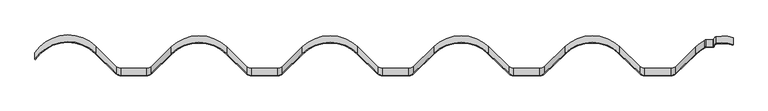
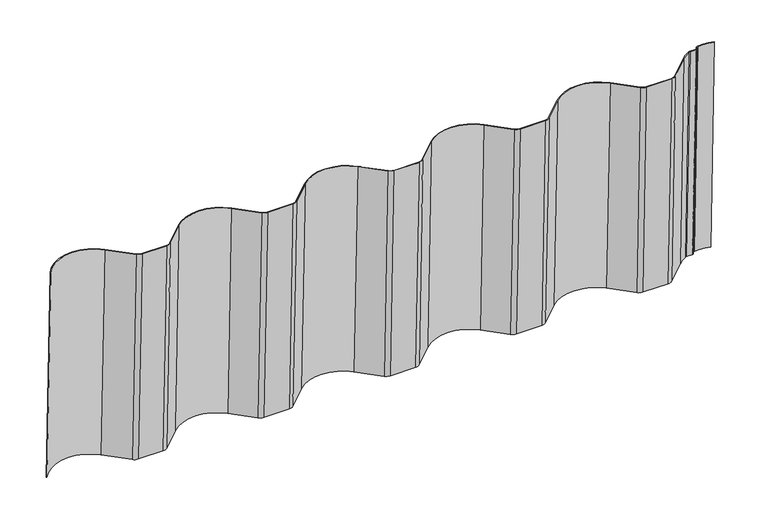
"""IFC4 building model written with IfcOpenShell, lengths in millimetres: proxy geometry."""

from ifc_helpers import new_model, si_unit, point, frame, origin, place, context, project, spatial, circle_curve, trimmed, source, transform, mapped, element, save
from ifc_brep_helpers import plane_surface, extruded_surface, advanced_brep


def generic_models_042558de(model_context):
    return source(origin(), model_context, "Body", "AdvancedBrep", [
        advanced_brep(
        [(-472.6219149, 53.3421976, 0.0), (-440.7842164, 22.3360004, 0.0), (-433.8073181, 19.5, 0.0), (-394.8301637, 19.5, 0.0), (-387.8532654, 22.3360004, 0.0), (-357.0423842, 52.3421976, 0.0), (-272.6219149, 52.3421976, 0.0), (-241.8110336, 22.3360004, 0.0), (-234.8341354, 19.5, 0.0), (-194.8301637, 19.5, 0.0), (-187.8532654, 22.3360004, 0.0), (-157.0423842, 52.3421976, 0.0), (-72.6219149, 52.3421976, 0.0), (-41.8110336, 22.3360004, 0.0), (-34.8341354, 19.5, 0.0), (5.1698363, 19.5, 0.0), (12.1467346, 22.3360004, 0.0), (42.9576158, 52.3421976, 0.0), (127.3780851, 52.3421976, 0.0), (158.1889664, 22.3360004, 0.0), (165.1658646, 19.5, 0.0), (205.1698363, 19.5, 0.0), (212.1467346, 22.3360004, 0.0), (242.9576158, 52.3421976, 0.0), (327.3780851, 52.3421976, 0.0), (358.1889664, 22.3360004, 0.0), (365.1658646, 19.5, 0.0), (405.1698363, 19.5, 0.0), (412.1467346, 22.3360004, 0.0), (442.9576158, 52.3421976, 0.0), (456.8324343, 62.4542252, 0.0), (459.4083813, 63.0947502, 0.0), (469.4303595, 63.0947502, 0.0), (470.4169828, 63.9317334, 0.0), (474.4575764, 68.036345, 0.0), (500.0, 65.9973045, 0.0), (499.6676561, 65.0541462, 0.0), (474.636081, 67.0524059, 0.0), (471.4036061, 63.7687167, 0.0), (469.4303595, 62.0947502, 0.0), (459.4083813, 62.0947502, 0.0), (457.3007883, 61.5706843, 0.0), (443.6553056, 51.6257976, 0.0), (412.8444244, 21.6196004, 0.0), (405.1698363, 18.5, 0.0), (365.1658646, 18.5, 0.0), (357.4912765, 21.6196004, 0.0), (326.6803953, 51.6257976, 0.0), (243.6553056, 51.6257976, 0.0), (212.8444244, 21.6196004, 0.0), (205.1698363, 18.5, 0.0), (165.1658646, 18.5, 0.0), (157.4912765, 21.6196004, 0.0), (126.6803953, 51.6257976, 0.0), (43.6553056, 51.6257976, 0.0), (12.8444244, 21.6196004, 0.0), (5.1698363, 18.5, 0.0), (-34.8341354, 18.5, 0.0), (-42.5087235, 21.6196004, 0.0), (-73.3196047, 51.6257976, 0.0), (-156.3446944, 51.6257976, 0.0), (-187.1555756, 21.6196004, 0.0), (-194.8301637, 18.5, 0.0), (-234.8341354, 18.5, 0.0), (-242.5087235, 21.6196004, 0.0), (-273.3196047, 51.6257976, 0.0), (-356.3446944, 51.6257976, 0.0), (-387.1555756, 21.6196004, 0.0), (-394.8301637, 18.5, 0.0), (-433.8073181, 18.5, 0.0), (-441.4819062, 21.6196004, 0.0), (-473.3196047, 52.6257976, 0.0), (-564.3141957, 43.0420505, 0.0), (-565.1458268, 43.5973791, 0.0), (-565.1458268, 33.0973791, 350.0), (-472.6219149, 42.8421976, 350.0), (-564.3141957, 32.5420505, 350.0), (-473.3196047, 42.1257976, 350.0), (-441.4819062, 11.1196004, 350.0), (-433.8073181, 8.0, 350.0), (-394.8301637, 8.0, 350.0), (-387.1555756, 11.1196004, 350.0), (-356.3446944, 41.1257976, 350.0), (-273.3196047, 41.1257976, 350.0), (-242.5087235, 11.1196004, 350.0), (-234.8341354, 8.0, 350.0), (-194.8301637, 8.0, 350.0), (-187.1555756, 11.1196004, 350.0), (-156.3446944, 41.1257976, 350.0), (-73.3196047, 41.1257976, 350.0), (-42.5087235, 11.1196004, 350.0), (-34.8341354, 8.0, 350.0), (5.1698363, 8.0, 350.0), (12.8444244, 11.1196004, 350.0), (43.6553056, 41.1257976, 350.0), (126.6803953, 41.1257976, 350.0), (42.9576158, 41.8421976, 350.0), (127.3780851, 41.8421976, 350.0), (12.1467346, 11.8360004, 350.0), (5.1698363, 9.0, 350.0), (-34.8341354, 9.0, 350.0), (-41.8110336, 11.8360004, 350.0), (-72.6219149, 41.8421976, 350.0), (-157.0423842, 41.8421976, 350.0), (-187.8532654, 11.8360004, 350.0), (-194.8301637, 9.0, 350.0), (-234.8341354, 9.0, 350.0), (-241.8110336, 11.8360004, 350.0), (-272.6219149, 41.8421976, 350.0), (-357.0423842, 41.8421976, 350.0), (-387.8532654, 11.8360004, 350.0), (-394.8301637, 9.0, 350.0), (-433.8073181, 9.0, 350.0), (-440.7842164, 11.8360004, 350.0), (157.4912765, 11.1196004, 350.0), (165.1658646, 8.0, 350.0), (205.1698363, 8.0, 350.0), (212.8444244, 11.1196004, 350.0), (243.6553056, 41.1257976, 350.0), (326.6803953, 41.1257976, 350.0), (357.4912765, 11.1196004, 350.0), (365.1658646, 8.0, 350.0), (405.1698363, 8.0, 350.0), (412.8444244, 11.1196004, 350.0), (443.6553056, 41.1257976, 350.0), (457.3007883, 51.0706843, 350.0), (459.4083813, 51.5947502, 350.0), (469.4303595, 51.5947502, 350.0), (471.4036061, 53.2687167, 350.0), (474.636081, 56.5524059, 350.0), (499.6676561, 54.5541462, 350.0), (500.0, 55.4973045, 350.0), (474.4575764, 57.536345, 350.0), (470.4169828, 53.4317334, 350.0), (469.4303595, 52.5947502, 350.0), (459.4083813, 52.5947502, 350.0), (456.8324343, 51.9542252, 350.0), (442.9576158, 41.8421976, 350.0), (412.1467346, 11.8360004, 350.0), (405.1698363, 9.0, 350.0), (365.1658646, 9.0, 350.0), (358.1889664, 11.8360004, 350.0), (327.3780851, 41.8421976, 350.0), (242.9576158, 41.8421976, 350.0), (212.1467346, 11.8360004, 350.0), (205.1698363, 9.0, 350.0), (165.1658646, 9.0, 350.0), (158.1889664, 11.8360004, 350.0)],
        [
            (0, 1),
            (1, 2, circle_curve(frame((-433.8073181, 29.5, 0.0), z_axis=(0.0, 0.0, 1.0), x_axis=(1.0, 0.0, 0.0)), 10.0)),
            (2, 3),
            (3, 4, circle_curve(frame((-394.8301637, 29.5, 0.0), z_axis=(0.0, 0.0, 1.0), x_axis=(1.0, 0.0, 0.0)), 10.0)),
            (4, 5),
            (5, 6, circle_curve(frame((-314.8321495, 9.0, 0.0), z_axis=(0.0, 0.0, -1.0), x_axis=(1.0, 0.0, 0.0)), 60.5)),
            (6, 7),
            (7, 8, circle_curve(frame((-234.8341354, 29.5, 0.0), z_axis=(0.0, 0.0, 1.0), x_axis=(1.0, 0.0, 0.0)), 10.0)),
            (8, 9),
            (9, 10, circle_curve(frame((-194.8301637, 29.5, 0.0), z_axis=(0.0, 0.0, 1.0), x_axis=(1.0, 0.0, 0.0)), 10.0)),
            (10, 11),
            (11, 12, circle_curve(frame((-114.8321495, 9.0, 0.0), z_axis=(0.0, 0.0, -1.0), x_axis=(1.0, 0.0, 0.0)), 60.5)),
            (12, 13),
            (13, 14, circle_curve(frame((-34.8341354, 29.5, 0.0), z_axis=(0.0, 0.0, 1.0), x_axis=(1.0, 0.0, 0.0)), 10.0)),
            (14, 15),
            (15, 16, circle_curve(frame((5.1698363, 29.5, 0.0), z_axis=(0.0, 0.0, 1.0), x_axis=(1.0, 0.0, 0.0)), 10.0)),
            (16, 17),
            (17, 18, circle_curve(frame((85.1678505, 9.0, 0.0), z_axis=(0.0, 0.0, -1.0), x_axis=(1.0, 0.0, 0.0)), 60.5)),
            (18, 19),
            (19, 20, circle_curve(frame((165.1658646, 29.5, 0.0), z_axis=(0.0, 0.0, 1.0), x_axis=(1.0, 0.0, 0.0)), 10.0)),
            (20, 21),
            (21, 22, circle_curve(frame((205.1698363, 29.5, 0.0), z_axis=(0.0, 0.0, 1.0), x_axis=(1.0, 0.0, 0.0)), 10.0)),
            (22, 23),
            (23, 24, circle_curve(frame((285.1678505, 9.0, 0.0), z_axis=(0.0, 0.0, -1.0), x_axis=(1.0, 0.0, 0.0)), 60.5)),
            (24, 25),
            (25, 26, circle_curve(frame((365.1658646, 29.5, 0.0), z_axis=(0.0, 0.0, 1.0), x_axis=(1.0, 0.0, 0.0)), 10.0)),
            (26, 27),
            (27, 28, circle_curve(frame((405.1698363, 29.5, 0.0), z_axis=(0.0, 0.0, 1.0), x_axis=(1.0, 0.0, 0.0)), 10.0)),
            (28, 29),
            (29, 30, circle_curve(frame((485.1678505, 9.0, 0.0), z_axis=(0.0, 0.0, -1.0), x_axis=(1.0, 0.0, 0.0)), 60.5)),
            (30, 31, circle_curve(frame((459.4083813, 57.5947502, 0.0), z_axis=(0.0, 0.0, -1.0), x_axis=(1.0, 0.0, 0.0)), 5.5)),
            (31, 32),
            (32, 33, circle_curve(frame((469.4303595, 64.0947502, 0.0), z_axis=(0.0, 0.0, 1.0), x_axis=(1.0, 0.0, 0.0)), 1.0)),
            (33, 34, circle_curve(frame((475.3500993, 63.1166496, 0.0), z_axis=(0.0, 0.0, -1.0), x_axis=(1.0, 0.0, 0.0)), 5.0)),
            (34, 35, circle_curve(frame((483.3828048, 18.8393908, 0.0), z_axis=(0.0, 0.0, -1.0), x_axis=(1.0, 0.0, 0.0)), 50.0)),
            (35, 36),
            (36, 37, circle_curve(frame((483.3828048, 18.8393908, 0.0), z_axis=(0.0, 0.0, 1.0), x_axis=(1.0, 0.0, 0.0)), 49.0)),
            (37, 38, circle_curve(frame((475.3500993, 63.1166496, 0.0), z_axis=(0.0, 0.0, 1.0), x_axis=(1.0, 0.0, 0.0)), 4.0)),
            (38, 39, circle_curve(frame((469.4303595, 64.0947502, 0.0), z_axis=(0.0, 0.0, -1.0), x_axis=(1.0, 0.0, 0.0)), 2.0)),
            (39, 40),
            (40, 41, circle_curve(frame((459.4083813, 57.5947502, 0.0), z_axis=(0.0, 0.0, 1.0), x_axis=(1.0, 0.0, 0.0)), 4.5)),
            (41, 42, circle_curve(frame((485.1678505, 9.0, 0.0), z_axis=(0.0, 0.0, 1.0), x_axis=(1.0, 0.0, 0.0)), 59.5)),
            (42, 43),
            (43, 44, circle_curve(frame((405.1698363, 29.5, 0.0), z_axis=(0.0, 0.0, -1.0), x_axis=(1.0, 0.0, 0.0)), 11.0)),
            (44, 45),
            (45, 46, circle_curve(frame((365.1658646, 29.5, 0.0), z_axis=(0.0, 0.0, -1.0), x_axis=(1.0, 0.0, 0.0)), 11.0)),
            (46, 47),
            (47, 48, circle_curve(frame((285.1678505, 9.0, 0.0), z_axis=(0.0, 0.0, 1.0), x_axis=(1.0, 0.0, 0.0)), 59.5)),
            (48, 49),
            (49, 50, circle_curve(frame((205.1698363, 29.5, 0.0), z_axis=(0.0, 0.0, -1.0), x_axis=(1.0, 0.0, 0.0)), 11.0)),
            (50, 51),
            (51, 52, circle_curve(frame((165.1658646, 29.5, 0.0), z_axis=(0.0, 0.0, -1.0), x_axis=(1.0, 0.0, 0.0)), 11.0)),
            (52, 53),
            (53, 54, circle_curve(frame((85.1678505, 9.0, 0.0), z_axis=(0.0, 0.0, 1.0), x_axis=(1.0, 0.0, 0.0)), 59.5)),
            (54, 55),
            (55, 56, circle_curve(frame((5.1698363, 29.5, 0.0), z_axis=(0.0, 0.0, -1.0), x_axis=(1.0, 0.0, 0.0)), 11.0)),
            (56, 57),
            (57, 58, circle_curve(frame((-34.8341354, 29.5, 0.0), z_axis=(0.0, 0.0, -1.0), x_axis=(1.0, 0.0, 0.0)), 11.0)),
            (58, 59),
            (59, 60, circle_curve(frame((-114.8321495, 9.0, 0.0), z_axis=(0.0, 0.0, 1.0), x_axis=(1.0, 0.0, 0.0)), 59.5)),
            (60, 61),
            (61, 62, circle_curve(frame((-194.8301637, 29.5, 0.0), z_axis=(0.0, 0.0, -1.0), x_axis=(1.0, 0.0, 0.0)), 11.0)),
            (62, 63),
            (63, 64, circle_curve(frame((-234.8341354, 29.5, 0.0), z_axis=(0.0, 0.0, -1.0), x_axis=(1.0, 0.0, 0.0)), 11.0)),
            (64, 65),
            (65, 66, circle_curve(frame((-314.8321495, 9.0, 0.0), z_axis=(0.0, 0.0, 1.0), x_axis=(1.0, 0.0, 0.0)), 59.5)),
            (66, 67),
            (67, 68, circle_curve(frame((-394.8301637, 29.5, 0.0), z_axis=(0.0, 0.0, -1.0), x_axis=(1.0, 0.0, 0.0)), 11.0)),
            (68, 69),
            (69, 70, circle_curve(frame((-433.8073181, 29.5, 0.0), z_axis=(0.0, 0.0, -1.0), x_axis=(1.0, 0.0, 0.0)), 11.0)),
            (70, 71),
            (71, 72, circle_curve(frame((-514.8321495, 10.0, 0.0), z_axis=(0.0, 0.0, 1.0), x_axis=(1.0, 0.0, 0.0)), 59.5)),
            (72, 73),
            (73, 0, circle_curve(frame((-514.8321495, 10.0, 0.0), z_axis=(0.0, 0.0, -1.0), x_axis=(1.0, 0.0, 0.0)), 60.5)),
            (73, 74),
            (74, 75, circle_curve(frame((-514.8321495, -0.5, 350.0), z_axis=(0.0, 0.0, -1.0), x_axis=(1.0, 0.0, 0.0)), 60.5)),
            (75, 0),
            (72, 76),
            (76, 74),
            (71, 77),
            (77, 76, circle_curve(frame((-514.8321495, -0.5, 350.0), z_axis=(0.0, 0.0, 1.0), x_axis=(1.0, 0.0, 0.0)), 59.5)),
            (70, 78),
            (78, 77),
            (69, 79),
            (79, 78, circle_curve(frame((-433.8073181, 19.0, 350.0), z_axis=(0.0, 0.0, -1.0), x_axis=(1.0, 0.0, 0.0)), 11.0)),
            (68, 80),
            (80, 79),
            (67, 81),
            (81, 80, circle_curve(frame((-394.8301637, 19.0, 350.0), z_axis=(0.0, 0.0, -1.0), x_axis=(1.0, 0.0, 0.0)), 11.0)),
            (66, 82),
            (82, 81),
            (65, 83),
            (83, 82, circle_curve(frame((-314.8321495, -1.5, 350.0), z_axis=(0.0, 0.0, 1.0), x_axis=(1.0, 0.0, 0.0)), 59.5)),
            (64, 84),
            (84, 83),
            (63, 85),
            (85, 84, circle_curve(frame((-234.8341354, 19.0, 350.0), z_axis=(0.0, 0.0, -1.0), x_axis=(1.0, 0.0, 0.0)), 11.0)),
            (62, 86),
            (86, 85),
            (61, 87),
            (87, 86, circle_curve(frame((-194.8301637, 19.0, 350.0), z_axis=(0.0, 0.0, -1.0), x_axis=(1.0, 0.0, 0.0)), 11.0)),
            (60, 88),
            (88, 87),
            (59, 89),
            (89, 88, circle_curve(frame((-114.8321495, -1.5, 350.0), z_axis=(0.0, 0.0, 1.0), x_axis=(1.0, 0.0, 0.0)), 59.5)),
            (58, 90),
            (90, 89),
            (57, 91),
            (91, 90, circle_curve(frame((-34.8341354, 19.0, 350.0), z_axis=(0.0, 0.0, -1.0), x_axis=(1.0, 0.0, 0.0)), 11.0)),
            (56, 92),
            (92, 91),
            (55, 93),
            (93, 92, circle_curve(frame((5.1698363, 19.0, 350.0), z_axis=(0.0, 0.0, -1.0), x_axis=(1.0, 0.0, 0.0)), 11.0)),
            (54, 94),
            (94, 93),
            (53, 95),
            (95, 94, circle_curve(frame((85.1678505, -1.5, 350.0), z_axis=(0.0, 0.0, 1.0), x_axis=(1.0, 0.0, 0.0)), 59.5)),
            (17, 96),
            (96, 97, circle_curve(frame((85.1678505, -1.5, 350.0), z_axis=(0.0, 0.0, -1.0), x_axis=(1.0, 0.0, 0.0)), 60.5)),
            (97, 18),
            (16, 98),
            (98, 96),
            (15, 99),
            (99, 98, circle_curve(frame((5.1698363, 19.0, 350.0), z_axis=(0.0, 0.0, 1.0), x_axis=(1.0, 0.0, 0.0)), 10.0)),
            (14, 100),
            (100, 99),
            (13, 101),
            (101, 100, circle_curve(frame((-34.8341354, 19.0, 350.0), z_axis=(0.0, 0.0, 1.0), x_axis=(1.0, 0.0, 0.0)), 10.0)),
            (12, 102),
            (102, 101),
            (11, 103),
            (103, 102, circle_curve(frame((-114.8321495, -1.5, 350.0), z_axis=(0.0, 0.0, -1.0), x_axis=(1.0, 0.0, 0.0)), 60.5)),
            (10, 104),
            (104, 103),
            (9, 105),
            (105, 104, circle_curve(frame((-194.8301637, 19.0, 350.0), z_axis=(0.0, 0.0, 1.0), x_axis=(1.0, 0.0, 0.0)), 10.0)),
            (8, 106),
            (106, 105),
            (7, 107),
            (107, 106, circle_curve(frame((-234.8341354, 19.0, 350.0), z_axis=(0.0, 0.0, 1.0), x_axis=(1.0, 0.0, 0.0)), 10.0)),
            (6, 108),
            (108, 107),
            (5, 109),
            (109, 108, circle_curve(frame((-314.8321495, -1.5, 350.0), z_axis=(0.0, 0.0, -1.0), x_axis=(1.0, 0.0, 0.0)), 60.5)),
            (4, 110),
            (110, 109),
            (3, 111),
            (111, 110, circle_curve(frame((-394.8301637, 19.0, 350.0), z_axis=(0.0, 0.0, 1.0), x_axis=(1.0, 0.0, 0.0)), 10.0)),
            (2, 112),
            (112, 111),
            (1, 113),
            (113, 112, circle_curve(frame((-433.8073181, 19.0, 350.0), z_axis=(0.0, 0.0, 1.0), x_axis=(1.0, 0.0, 0.0)), 10.0)),
            (75, 113),
            (95, 114),
            (114, 115, circle_curve(frame((165.1658646, 19.0, 350.0), z_axis=(0.0, 0.0, 1.0), x_axis=(1.0, 0.0, 0.0)), 11.0)),
            (115, 116),
            (116, 117, circle_curve(frame((205.1698363, 19.0, 350.0), z_axis=(0.0, 0.0, 1.0), x_axis=(1.0, 0.0, 0.0)), 11.0)),
            (117, 118),
            (118, 119, circle_curve(frame((285.1678505, -1.5, 350.0), z_axis=(0.0, 0.0, -1.0), x_axis=(1.0, 0.0, 0.0)), 59.5)),
            (119, 120),
            (120, 121, circle_curve(frame((365.1658646, 19.0, 350.0), z_axis=(0.0, 0.0, 1.0), x_axis=(1.0, 0.0, 0.0)), 11.0)),
            (121, 122),
            (122, 123, circle_curve(frame((405.1698363, 19.0, 350.0), z_axis=(0.0, 0.0, 1.0), x_axis=(1.0, 0.0, 0.0)), 11.0)),
            (123, 124),
            (124, 125, circle_curve(frame((485.1678505, -1.5, 350.0), z_axis=(0.0, 0.0, -1.0), x_axis=(1.0, 0.0, 0.0)), 59.5)),
            (125, 126, circle_curve(frame((459.4083813, 47.0947502, 350.0), z_axis=(0.0, 0.0, -1.0), x_axis=(1.0, 0.0, 0.0)), 4.5)),
            (126, 127),
            (127, 128, circle_curve(frame((469.4303595, 53.5947502, 350.0), z_axis=(0.0, 0.0, 1.0), x_axis=(1.0, 0.0, 0.0)), 2.0)),
            (128, 129, circle_curve(frame((475.3500993, 52.6166496, 350.0), z_axis=(0.0, 0.0, -1.0), x_axis=(1.0, 0.0, 0.0)), 4.0)),
            (129, 130, circle_curve(frame((483.3828048, 8.3393908, 350.0), z_axis=(0.0, 0.0, -1.0), x_axis=(1.0, 0.0, 0.0)), 49.0)),
            (130, 131),
            (131, 132, circle_curve(frame((483.3828048, 8.3393908, 350.0), z_axis=(0.0, 0.0, 1.0), x_axis=(1.0, 0.0, 0.0)), 50.0)),
            (132, 133, circle_curve(frame((475.3500993, 52.6166496, 350.0), z_axis=(0.0, 0.0, 1.0), x_axis=(1.0, 0.0, 0.0)), 5.0)),
            (133, 134, circle_curve(frame((469.4303595, 53.5947502, 350.0), z_axis=(0.0, 0.0, -1.0), x_axis=(1.0, 0.0, 0.0)), 1.0)),
            (134, 135),
            (135, 136, circle_curve(frame((459.4083813, 47.0947502, 350.0), z_axis=(0.0, 0.0, 1.0), x_axis=(1.0, 0.0, 0.0)), 5.5)),
            (136, 137, circle_curve(frame((485.1678505, -1.5, 350.0), z_axis=(0.0, 0.0, 1.0), x_axis=(1.0, 0.0, 0.0)), 60.5)),
            (137, 138),
            (138, 139, circle_curve(frame((405.1698363, 19.0, 350.0), z_axis=(0.0, 0.0, -1.0), x_axis=(1.0, 0.0, 0.0)), 10.0)),
            (139, 140),
            (140, 141, circle_curve(frame((365.1658646, 19.0, 350.0), z_axis=(0.0, 0.0, -1.0), x_axis=(1.0, 0.0, 0.0)), 10.0)),
            (141, 142),
            (142, 143, circle_curve(frame((285.1678505, -1.5, 350.0), z_axis=(0.0, 0.0, 1.0), x_axis=(1.0, 0.0, 0.0)), 60.5)),
            (143, 144),
            (144, 145, circle_curve(frame((205.1698363, 19.0, 350.0), z_axis=(0.0, 0.0, -1.0), x_axis=(1.0, 0.0, 0.0)), 10.0)),
            (145, 146),
            (146, 147, circle_curve(frame((165.1658646, 19.0, 350.0), z_axis=(0.0, 0.0, -1.0), x_axis=(1.0, 0.0, 0.0)), 10.0)),
            (147, 97),
            (52, 114),
            (51, 115),
            (50, 116),
            (49, 117),
            (48, 118),
            (47, 119),
            (46, 120),
            (45, 121),
            (44, 122),
            (43, 123),
            (42, 124),
            (41, 125),
            (40, 126),
            (39, 127),
            (38, 128),
            (37, 129),
            (36, 130),
            (35, 131),
            (34, 132),
            (33, 133),
            (32, 134),
            (31, 135),
            (30, 136),
            (29, 137),
            (28, 138),
            (27, 139),
            (26, 140),
            (25, 141),
            (24, 142),
            (23, 143),
            (22, 144),
            (21, 145),
            (20, 146),
            (19, 147),
        ],
        [
            plane_surface(frame((49.2852822, 36.7043237, 0.0), z_axis=(0.0, 0.0, -1.0), x_axis=(-0.7163999601492478, 0.6976898287191495, 0.0))),
            extruded_surface(trimmed(circle_curve(frame((-514.8321495, 10.0, 0.0), z_axis=(0.0, 0.0, 1.0), x_axis=(1.0, 0.0, 0.0)), 60.5), [point((-472.6219149, 53.3421976, 0.0))], [point((-565.1458268, 43.5973791, 0.0))], True, "CARTESIAN"), (0.0, -10.5, 350.0), 350.1574645784379),
            plane_surface(frame((-564.7300113, 43.3197148, 0.0), z_axis=(-0.5551558293945325, -0.8313723252192379, -0.02494116975658706), x_axis=(0.8316310284669947, -0.5553285806537683, 0.0))),
            extruded_surface(trimmed(circle_curve(frame((-514.8321495, 10.0, 0.0), z_axis=(0.0, 0.0, -1.0), x_axis=(1.0, 0.0, 0.0)), 59.5), [point((-564.3141957, 43.0420505, 0.0))], [point((-473.3196047, 52.6257976, 0.0))], True, "CARTESIAN"), (0.0, -10.5, 350.0), 350.1574645784379),
            plane_surface(frame((-457.4007555, 37.122699, 0.0), z_axis=(-0.697528750955677, -0.7162345627210829, -0.021487036881631408), x_axis=(0.7163999601492518, -0.6976898287191454, 0.0))),
            extruded_surface(trimmed(circle_curve(frame((-433.8073181, 29.5, 0.0), z_axis=(0.0, 0.0, 1.0), x_axis=(1.0, 0.0, 0.0)), 11.0), [point((-441.4819062, 21.6196004, 0.0))], [point((-433.8073181, 18.5, 0.0))], True, "CARTESIAN"), (0.0, -10.5, 350.0), 350.1574645784379),
            plane_surface(frame((-414.3187409, 18.5, 0.0), z_axis=(0.0, -0.9995503035223665, -0.029986509105683012), x_axis=(1.0, 0.0, 0.0))),
            extruded_surface(trimmed(circle_curve(frame((-394.8301637, 29.5, 0.0), z_axis=(0.0, 0.0, 1.0), x_axis=(1.0, 0.0, 0.0)), 11.0), [point((-394.8301637, 18.5, 0.0))], [point((-387.1555756, 21.6196004, 0.0))], True, "CARTESIAN"), (0.0, -10.5, 350.0), 350.1574645784379),
            plane_surface(frame((-371.750135, 36.622699, 0.0), z_axis=(0.6975287509558474, -0.716234562720917, -0.02148703688162934), x_axis=(0.7163999601490858, 0.697689828719316, 0.0))),
            extruded_surface(trimmed(circle_curve(frame((-314.8321495, 9.0, 0.0), z_axis=(0.0, 0.0, -1.0), x_axis=(1.0, 0.0, 0.0)), 59.5), [point((-356.3446944, 51.6257976, 0.0))], [point((-273.3196047, 51.6257976, 0.0))], True, "CARTESIAN"), (0.0, -10.5, 350.0), 350.1574645784379),
            plane_surface(frame((-257.9141641, 36.622699, 0.0), z_axis=(-0.6975287509556769, -0.716234562721083, -0.02148703688163362), x_axis=(0.7163999601492519, -0.6976898287191453, 0.0))),
            extruded_surface(trimmed(circle_curve(frame((-234.8341354, 29.5, 0.0), z_axis=(0.0, 0.0, 1.0), x_axis=(1.0, 0.0, 0.0)), 11.0), [point((-242.5087235, 21.6196004, 0.0))], [point((-234.8341354, 18.5, 0.0))], True, "CARTESIAN"), (0.0, -10.5, 350.0), 350.1574645784379),
            plane_surface(frame((-214.8321495, 18.5, 0.0), z_axis=(0.0, -0.9995503035223665, -0.029986509105683012), x_axis=(1.0, 0.0, 0.0))),
            extruded_surface(trimmed(circle_curve(frame((-194.8301637, 29.5, 0.0), z_axis=(0.0, 0.0, 1.0), x_axis=(1.0, 0.0, 0.0)), 11.0), [point((-194.8301637, 18.5, 0.0))], [point((-187.1555756, 21.6196004, 0.0))], True, "CARTESIAN"), (0.0, -10.5, 350.0), 350.1574645784379),
            plane_surface(frame((-171.750135, 36.622699, 0.0), z_axis=(0.6975287509558471, -0.7162345627209172, -0.021487036881629142), x_axis=(0.716399960149086, 0.6976898287193156, 0.0))),
            extruded_surface(trimmed(circle_curve(frame((-114.8321495, 9.0, 0.0), z_axis=(0.0, 0.0, -1.0), x_axis=(1.0, 0.0, 0.0)), 59.5), [point((-156.3446944, 51.6257976, 0.0))], [point((-73.3196047, 51.6257976, 0.0))], True, "CARTESIAN"), (0.0, -10.5, 350.0), 350.1574645784379),
            plane_surface(frame((-57.9141641, 36.622699, 0.0), z_axis=(-0.697528750955677, -0.7162345627210828, -0.021487036881633642), x_axis=(0.7163999601492517, -0.6976898287191455, 0.0))),
            extruded_surface(trimmed(circle_curve(frame((-34.8341354, 29.5, 0.0), z_axis=(0.0, 0.0, 1.0), x_axis=(1.0, 0.0, 0.0)), 11.0), [point((-42.5087235, 21.6196004, 0.0))], [point((-34.8341354, 18.5, 0.0))], True, "CARTESIAN"), (0.0, -10.5, 350.0), 350.1574645784379),
            plane_surface(frame((-14.8321495, 18.5, 0.0), z_axis=(0.0, -0.9995503035223665, -0.029986509105683012), x_axis=(1.0, 0.0, 0.0))),
            extruded_surface(trimmed(circle_curve(frame((5.1698363, 29.5, 0.0), z_axis=(0.0, 0.0, 1.0), x_axis=(1.0, 0.0, 0.0)), 11.0), [point((5.1698363, 18.5, 0.0))], [point((12.8444244, 21.6196004, 0.0))], True, "CARTESIAN"), (0.0, -10.5, 350.0), 350.1574645784379),
            plane_surface(frame((28.249865, 36.622699, 0.0), z_axis=(0.697528750955847, -0.7162345627209173, -0.02148703688162923), x_axis=(0.7163999601490861, 0.6976898287193155, 0.0))),
            extruded_surface(trimmed(circle_curve(frame((85.1678505, 9.0, 0.0), z_axis=(0.0, 0.0, -1.0), x_axis=(1.0, 0.0, 0.0)), 59.5), [point((43.6553056, 51.6257976, 0.0))], [point((126.6803953, 51.6257976, 0.0))], True, "CARTESIAN"), (0.0, -10.5, 350.0), 350.1574645784379),
            extruded_surface(trimmed(circle_curve(frame((85.1678505, 9.0, 0.0), z_axis=(0.0, 0.0, 1.0), x_axis=(1.0, 0.0, 0.0)), 60.5), [point((127.3780851, 52.3421976, 0.0))], [point((42.9576158, 52.3421976, 0.0))], True, "CARTESIAN"), (0.0, -10.5, 350.0), 350.1574645784379),
            plane_surface(frame((27.5521752, 37.339099, 0.0), z_axis=(-0.697528750955847, 0.7162345627209175, 0.021487036881629222), x_axis=(-0.7163999601490862, -0.6976898287193155, 0.0))),
            extruded_surface(trimmed(circle_curve(frame((5.1698363, 29.5, 0.0), z_axis=(0.0, 0.0, -1.0), x_axis=(1.0, 0.0, 0.0)), 10.0), [point((12.1467346, 22.3360004, 0.0))], [point((5.1698363, 19.5, 0.0))], True, "CARTESIAN"), (0.0, -10.5, 350.0), 350.1574645784379),
            plane_surface(frame((-14.8321495, 19.5, 0.0), z_axis=(0.0, 0.9995503035223665, 0.029986509105683012), x_axis=(-1.0, 0.0, 0.0))),
            extruded_surface(trimmed(circle_curve(frame((-34.8341354, 29.5, 0.0), z_axis=(0.0, 0.0, -1.0), x_axis=(1.0, 0.0, 0.0)), 10.0), [point((-34.8341354, 19.5, 0.0))], [point((-41.8110336, 22.3360004, 0.0))], True, "CARTESIAN"), (0.0, -10.5, 350.0), 350.1574645784379),
            plane_surface(frame((-57.2164743, 37.339099, 0.0), z_axis=(0.6975287509556771, 0.7162345627210828, 0.021487036881633663), x_axis=(-0.7163999601492517, 0.6976898287191456, 0.0))),
            extruded_surface(trimmed(circle_curve(frame((-114.8321495, 9.0, 0.0), z_axis=(0.0, 0.0, 1.0), x_axis=(1.0, 0.0, 0.0)), 60.5), [point((-72.6219149, 52.3421976, 0.0))], [point((-157.0423842, 52.3421976, 0.0))], True, "CARTESIAN"), (0.0, -10.5, 350.0), 350.1574645784379),
            plane_surface(frame((-172.4478248, 37.339099, 0.0), z_axis=(-0.697528750955847, 0.7162345627209175, 0.02148703688162926), x_axis=(-0.7163999601490862, -0.6976898287193155, 0.0))),
            extruded_surface(trimmed(circle_curve(frame((-194.8301637, 29.5, 0.0), z_axis=(0.0, 0.0, -1.0), x_axis=(1.0, 0.0, 0.0)), 10.0), [point((-187.8532654, 22.3360004, 0.0))], [point((-194.8301637, 19.5, 0.0))], True, "CARTESIAN"), (0.0, -10.5, 350.0), 350.1574645784379),
            plane_surface(frame((-214.8321495, 19.5, 0.0), z_axis=(0.0, 0.9995503035223665, 0.029986509105683012), x_axis=(-1.0, 0.0, 0.0))),
            extruded_surface(trimmed(circle_curve(frame((-234.8341354, 29.5, 0.0), z_axis=(0.0, 0.0, -1.0), x_axis=(1.0, 0.0, 0.0)), 10.0), [point((-234.8341354, 19.5, 0.0))], [point((-241.8110336, 22.3360004, 0.0))], True, "CARTESIAN"), (0.0, -10.5, 350.0), 350.1574645784379),
            plane_surface(frame((-257.2164743, 37.339099, 0.0), z_axis=(0.6975287509556771, 0.7162345627210828, 0.021487036881633628), x_axis=(-0.7163999601492517, 0.6976898287191456, 0.0))),
            extruded_surface(trimmed(circle_curve(frame((-314.8321495, 9.0, 0.0), z_axis=(0.0, 0.0, 1.0), x_axis=(1.0, 0.0, 0.0)), 60.5), [point((-272.6219149, 52.3421976, 0.0))], [point((-357.0423842, 52.3421976, 0.0))], True, "CARTESIAN"), (0.0, -10.5, 350.0), 350.1574645784379),
            plane_surface(frame((-372.4478248, 37.339099, 0.0), z_axis=(-0.697528750955847, 0.7162345627209175, 0.021487036881629146), x_axis=(-0.7163999601490862, -0.6976898287193155, 0.0))),
            extruded_surface(trimmed(circle_curve(frame((-394.8301637, 29.5, 0.0), z_axis=(0.0, 0.0, -1.0), x_axis=(1.0, 0.0, 0.0)), 10.0), [point((-387.8532654, 22.3360004, 0.0))], [point((-394.8301637, 19.5, 0.0))], True, "CARTESIAN"), (0.0, -10.5, 350.0), 350.1574645784379),
            plane_surface(frame((-414.3187409, 19.5, 0.0), z_axis=(0.0, 0.9995503035223665, 0.029986509105683012), x_axis=(-1.0, 0.0, 0.0))),
            extruded_surface(trimmed(circle_curve(frame((-433.8073181, 29.5, 0.0), z_axis=(0.0, 0.0, -1.0), x_axis=(1.0, 0.0, 0.0)), 10.0), [point((-433.8073181, 19.5, 0.0))], [point((-440.7842164, 22.3360004, 0.0))], True, "CARTESIAN"), (0.0, -10.5, 350.0), 350.1574645784379),
            plane_surface(frame((-456.7030656, 37.839099, 0.0), z_axis=(0.6975287509556771, 0.7162345627210828, 0.021487036881631387), x_axis=(-0.7163999601492517, 0.6976898287191456, 0.0))),
            plane_surface(frame((49.2852822, 26.2043237, 350.0), z_axis=(0.0, 0.0, 1.0), x_axis=(-0.7163999601492478, 0.6976898287191495, 0.0))),
            plane_surface(frame((142.0858359, 36.622699, 0.0), z_axis=(-0.6975287509556771, -0.7162345627210829, -0.021487036881633614), x_axis=(0.7163999601492518, -0.6976898287191455, 0.0))),
            extruded_surface(trimmed(circle_curve(frame((165.1658646, 29.5, 0.0), z_axis=(0.0, 0.0, 1.0), x_axis=(1.0, 0.0, 0.0)), 11.0), [point((157.4912765, 21.6196004, 0.0))], [point((165.1658646, 18.5, 0.0))], True, "CARTESIAN"), (0.0, -10.5, 350.0), 350.1574645784379),
            plane_surface(frame((185.1678505, 18.5, 0.0), z_axis=(0.0, -0.9995503035223665, -0.029986509105683012), x_axis=(1.0, 0.0, 0.0))),
            extruded_surface(trimmed(circle_curve(frame((205.1698363, 29.5, 0.0), z_axis=(0.0, 0.0, 1.0), x_axis=(1.0, 0.0, 0.0)), 11.0), [point((205.1698363, 18.5, 0.0))], [point((212.8444244, 21.6196004, 0.0))], True, "CARTESIAN"), (0.0, -10.5, 350.0), 350.1574645784379),
            plane_surface(frame((228.249865, 36.622699, 0.0), z_axis=(0.697528750955847, -0.7162345627209173, -0.021487036881629132), x_axis=(0.7163999601490861, 0.6976898287193155, 0.0))),
            extruded_surface(trimmed(circle_curve(frame((285.1678505, 9.0, 0.0), z_axis=(0.0, 0.0, -1.0), x_axis=(1.0, 0.0, 0.0)), 59.5), [point((243.6553056, 51.6257976, 0.0))], [point((326.6803953, 51.6257976, 0.0))], True, "CARTESIAN"), (0.0, -10.5, 350.0), 350.1574645784379),
            plane_surface(frame((342.0858359, 36.622699, 0.0), z_axis=(-0.6975287509556768, -0.7162345627210832, -0.021487036881633163), x_axis=(0.7163999601492521, -0.6976898287191452, 0.0))),
            extruded_surface(trimmed(circle_curve(frame((365.1658646, 29.5, 0.0), z_axis=(0.0, 0.0, 1.0), x_axis=(1.0, 0.0, 0.0)), 11.0), [point((357.4912765, 21.6196004, 0.0))], [point((365.1658646, 18.5, 0.0))], True, "CARTESIAN"), (0.0, -10.5, 350.0), 350.1574645784379),
            plane_surface(frame((385.1678505, 18.5, 0.0), z_axis=(0.0, -0.9995503035223665, -0.029986509105683012), x_axis=(1.0, 0.0, 0.0))),
            extruded_surface(trimmed(circle_curve(frame((405.1698363, 29.5, 0.0), z_axis=(0.0, 0.0, 1.0), x_axis=(1.0, 0.0, 0.0)), 11.0), [point((405.1698363, 18.5, 0.0))], [point((412.8444244, 21.6196004, 0.0))], True, "CARTESIAN"), (0.0, -10.5, 350.0), 350.1574645784379),
            plane_surface(frame((428.249865, 36.622699, 0.0), z_axis=(0.697528750955847, -0.7162345627209173, -0.021487036881629194), x_axis=(0.7163999601490861, 0.6976898287193155, 0.0))),
            extruded_surface(trimmed(circle_curve(frame((485.1678505, 9.0, 0.0), z_axis=(0.0, 0.0, -1.0), x_axis=(1.0, 0.0, 0.0)), 59.5), [point((443.6553056, 51.6257976, 0.0))], [point((457.3007883, 61.5706843, 0.0))], True, "CARTESIAN"), (0.0, -10.5, 350.0), 350.1574645784379),
            extruded_surface(trimmed(circle_curve(frame((459.4083813, 57.5947502, 0.0), z_axis=(0.0, 0.0, -1.0), x_axis=(1.0, 0.0, 0.0)), 4.5), [point((457.3007883, 61.5706843, 0.0))], [point((459.4083813, 62.0947502, 0.0))], True, "CARTESIAN"), (0.0, -10.5, 350.0), 350.1574645784379),
            plane_surface(frame((464.4193704, 62.0947502, 0.0), z_axis=(0.0, -0.9995503035223671, -0.02998650910566225), x_axis=(1.0, 0.0, 0.0))),
            extruded_surface(trimmed(circle_curve(frame((469.4303595, 64.0947502, 0.0), z_axis=(0.0, 0.0, 1.0), x_axis=(1.0, 0.0, 0.0)), 2.0), [point((469.4303595, 62.0947502, 0.0))], [point((471.4036061, 63.7687167, 0.0))], True, "CARTESIAN"), (0.0, -10.499999999999993, 350.0), 350.1574645784379),
            extruded_surface(trimmed(circle_curve(frame((475.3500993, 63.1166496, 0.0), z_axis=(0.0, 0.0, -1.0), x_axis=(1.0, 0.0, 0.0)), 4.0), [point((471.4036061, 63.7687167, 0.0))], [point((474.636081, 67.0524059, 0.0))], True, "CARTESIAN"), (0.0, -10.5, 350.0), 350.1574645784379),
            extruded_surface(trimmed(circle_curve(frame((483.3828048, 18.8393908, 0.0), z_axis=(0.0, 0.0, -1.0), x_axis=(1.0, 0.0, 0.0)), 49.0), [point((474.636081, 67.0524059, 0.0))], [point((499.6676561, 65.0541462, 0.0))], True, "CARTESIAN"), (0.0, -10.5, 350.0), 350.1574645784379),
            plane_surface(frame((499.833828, 65.5257254, 0.0), z_axis=(0.9431113988608354, -0.3323273867678707, -0.009969821603033596), x_axis=(0.33234390422881627, 0.9431582737387969, 0.0))),
            extruded_surface(trimmed(circle_curve(frame((483.3828048, 18.8393908, 0.0), z_axis=(0.0, 0.0, 1.0), x_axis=(1.0, 0.0, 0.0)), 50.0), [point((500.0, 65.9973045, 0.0))], [point((474.4575764, 68.036345, 0.0))], True, "CARTESIAN"), (0.0, -10.5, 350.0), 350.1574645784379),
            extruded_surface(trimmed(circle_curve(frame((475.3500993, 63.1166496, 0.0), z_axis=(0.0, 0.0, 1.0), x_axis=(1.0, 0.0, 0.0)), 5.0), [point((474.4575764, 68.036345, 0.0))], [point((470.4169828, 63.9317334, 0.0))], True, "CARTESIAN"), (0.0, -10.5, 350.0), 350.1574645784379),
            extruded_surface(trimmed(circle_curve(frame((469.4303595, 64.0947502, 0.0), z_axis=(0.0, 0.0, -1.0), x_axis=(1.0, 0.0, 0.0)), 1.0), [point((470.4169828, 63.9317334, 0.0))], [point((469.4303595, 63.0947502, 0.0))], True, "CARTESIAN"), (0.0, -10.499999999999993, 350.0), 350.1574645784379),
            plane_surface(frame((464.4193704, 63.0947502, 0.0), z_axis=(0.0, 0.9995503035223671, 0.02998650910566225), x_axis=(-1.0, 0.0, 0.0))),
            extruded_surface(trimmed(circle_curve(frame((459.4083813, 57.5947502, 0.0), z_axis=(0.0, 0.0, 1.0), x_axis=(1.0, 0.0, 0.0)), 5.5), [point((459.4083813, 63.0947502, 0.0))], [point((456.8324343, 62.4542252, 0.0))], True, "CARTESIAN"), (0.0, -10.5, 350.0), 350.1574645784379),
            extruded_surface(trimmed(circle_curve(frame((485.1678505, 9.0, 0.0), z_axis=(0.0, 0.0, 1.0), x_axis=(1.0, 0.0, 0.0)), 60.5), [point((456.8324343, 62.4542252, 0.0))], [point((442.9576158, 52.3421976, 0.0))], True, "CARTESIAN"), (0.0, -10.5, 350.0), 350.1574645784379),
            plane_surface(frame((427.5521752, 37.339099, 0.0), z_axis=(-0.697528750955847, 0.7162345627209175, 0.021487036881629232), x_axis=(-0.7163999601490862, -0.6976898287193155, 0.0))),
            extruded_surface(trimmed(circle_curve(frame((405.1698363, 29.5, 0.0), z_axis=(0.0, 0.0, -1.0), x_axis=(1.0, 0.0, 0.0)), 10.0), [point((412.1467346, 22.3360004, 0.0))], [point((405.1698363, 19.5, 0.0))], True, "CARTESIAN"), (0.0, -10.5, 350.0), 350.1574645784379),
            plane_surface(frame((385.1678505, 19.5, 0.0), z_axis=(0.0, 0.9995503035223665, 0.029986509105683012), x_axis=(-1.0, 0.0, 0.0))),
            extruded_surface(trimmed(circle_curve(frame((365.1658646, 29.5, 0.0), z_axis=(0.0, 0.0, -1.0), x_axis=(1.0, 0.0, 0.0)), 10.0), [point((365.1658646, 19.5, 0.0))], [point((358.1889664, 22.3360004, 0.0))], True, "CARTESIAN"), (0.0, -10.5, 350.0), 350.1574645784379),
            plane_surface(frame((342.7835257, 37.339099, 0.0), z_axis=(0.6975287509556771, 0.7162345627210828, 0.021487036881633118), x_axis=(-0.7163999601492517, 0.6976898287191456, 0.0))),
            extruded_surface(trimmed(circle_curve(frame((285.1678505, 9.0, 0.0), z_axis=(0.0, 0.0, 1.0), x_axis=(1.0, 0.0, 0.0)), 60.5), [point((327.3780851, 52.3421976, 0.0))], [point((242.9576158, 52.3421976, 0.0))], True, "CARTESIAN"), (0.0, -10.5, 350.0), 350.1574645784379),
            plane_surface(frame((227.5521752, 37.339099, 0.0), z_axis=(-0.697528750955847, 0.7162345627209175, 0.0214870368816292), x_axis=(-0.7163999601490862, -0.6976898287193155, 0.0))),
            extruded_surface(trimmed(circle_curve(frame((205.1698363, 29.5, 0.0), z_axis=(0.0, 0.0, -1.0), x_axis=(1.0, 0.0, 0.0)), 10.0), [point((212.1467346, 22.3360004, 0.0))], [point((205.1698363, 19.5, 0.0))], True, "CARTESIAN"), (0.0, -10.5, 350.0), 350.1574645784379),
            plane_surface(frame((185.1678505, 19.5, 0.0), z_axis=(0.0, 0.9995503035223665, 0.029986509105683012), x_axis=(-1.0, 0.0, 0.0))),
            extruded_surface(trimmed(circle_curve(frame((165.1658646, 29.5, 0.0), z_axis=(0.0, 0.0, -1.0), x_axis=(1.0, 0.0, 0.0)), 10.0), [point((165.1658646, 19.5, 0.0))], [point((158.1889664, 22.3360004, 0.0))], True, "CARTESIAN"), (0.0, -10.5, 350.0), 350.1574645784379),
            plane_surface(frame((142.7835257, 37.339099, 0.0), z_axis=(0.6975287509556771, 0.7162345627210828, 0.02148703688163365), x_axis=(-0.7163999601492517, 0.6976898287191456, 0.0))),
        ],
        [
            (0, [[1, 2, 3, 4, 5, 6, 7, 8, 9, 10, 11, 12, 13, 14, 15, 16, 17, 18, 19, 20, 21, 22, 23, 24, 25, 26, 27, 28, 29, 30, 31, 32, 33, 34, 35, 36, 37, 38, 39, 40, 41, 42, 43, 44, 45, 46, 47, 48, 49, 50, 51, 52, 53, 54, 55, 56, 57, 58, 59, 60, 61, 62, 63, 64, 65, 66, 67, 68, 69, 70, 71, 72, 73, 74]]),
            (1, [[-74, 75, 76, 77]]),
            (2, [[-73, 78, 79, -75]]),
            (3, [[-72, 80, 81, -78]]),
            (4, [[-71, 82, 83, -80]]),
            (5, [[-70, 84, 85, -82]]),
            (6, [[-69, 86, 87, -84]]),
            (7, [[-68, 88, 89, -86]]),
            (8, [[-67, 90, 91, -88]]),
            (9, [[-66, 92, 93, -90]]),
            (10, [[-65, 94, 95, -92]]),
            (11, [[-64, 96, 97, -94]]),
            (12, [[-63, 98, 99, -96]]),
            (13, [[-62, 100, 101, -98]]),
            (14, [[-61, 102, 103, -100]]),
            (15, [[-60, 104, 105, -102]]),
            (16, [[-59, 106, 107, -104]]),
            (17, [[-58, 108, 109, -106]]),
            (18, [[-57, 110, 111, -108]]),
            (19, [[-56, 112, 113, -110]]),
            (20, [[-55, 114, 115, -112]]),
            (21, [[-54, 116, 117, -114]]),
            (22, [[-18, 118, 119, 120]]),
            (23, [[-17, 121, 122, -118]]),
            (24, [[-16, 123, 124, -121]]),
            (25, [[-15, 125, 126, -123]]),
            (26, [[-14, 127, 128, -125]]),
            (27, [[-13, 129, 130, -127]]),
            (28, [[-12, 131, 132, -129]]),
            (29, [[-11, 133, 134, -131]]),
            (30, [[-10, 135, 136, -133]]),
            (31, [[-9, 137, 138, -135]]),
            (32, [[-8, 139, 140, -137]]),
            (33, [[-7, 141, 142, -139]]),
            (34, [[-6, 143, 144, -141]]),
            (35, [[-5, 145, 146, -143]]),
            (36, [[-4, 147, 148, -145]]),
            (37, [[-3, 149, 150, -147]]),
            (38, [[-2, 151, 152, -149]]),
            (39, [[-1, -77, 153, -151]]),
            (40, [[-76, -79, -81, -83, -85, -87, -89, -91, -93, -95, -97, -99, -101, -103, -105, -107, -109, -111, -113, -115, -117, 154, 155, 156, 157, 158, 159, 160, 161, 162, 163, 164, 165, 166, 167, 168, 169, 170, 171, 172, 173, 174, 175, 176, 177, 178, 179, 180, 181, 182, 183, 184, 185, 186, 187, 188, -119, -122, -124, -126, -128, -130, -132, -134, -136, -138, -140, -142, -144, -146, -148, -150, -152, -153]]),
            (41, [[-53, 189, -154, -116]]),
            (42, [[-52, 190, -155, -189]]),
            (43, [[-51, 191, -156, -190]]),
            (44, [[-50, 192, -157, -191]]),
            (45, [[-49, 193, -158, -192]]),
            (46, [[-48, 194, -159, -193]]),
            (47, [[-47, 195, -160, -194]]),
            (48, [[-46, 196, -161, -195]]),
            (49, [[-45, 197, -162, -196]]),
            (50, [[-44, 198, -163, -197]]),
            (51, [[-43, 199, -164, -198]]),
            (52, [[-42, 200, -165, -199]]),
            (53, [[-41, 201, -166, -200]]),
            (54, [[-40, 202, -167, -201]]),
            (55, [[-39, 203, -168, -202]]),
            (56, [[-38, 204, -169, -203]]),
            (57, [[-37, 205, -170, -204]]),
            (58, [[-36, 206, -171, -205]]),
            (59, [[-35, 207, -172, -206]]),
            (60, [[-34, 208, -173, -207]]),
            (61, [[-33, 209, -174, -208]]),
            (62, [[-32, 210, -175, -209]]),
            (63, [[-31, 211, -176, -210]]),
            (64, [[-30, 212, -177, -211]]),
            (65, [[-29, 213, -178, -212]]),
            (66, [[-28, 214, -179, -213]]),
            (67, [[-27, 215, -180, -214]]),
            (68, [[-26, 216, -181, -215]]),
            (69, [[-25, 217, -182, -216]]),
            (70, [[-24, 218, -183, -217]]),
            (71, [[-23, 219, -184, -218]]),
            (72, [[-22, 220, -185, -219]]),
            (73, [[-21, 221, -186, -220]]),
            (74, [[-20, 222, -187, -221]]),
            (75, [[-19, -120, -188, -222]]),
        ],
    ),
    ])


if __name__ == "__main__":
    model = new_model("IFC4")
    model_context = context("Model", 3, world=origin())
    ifc_project = project(units=[si_unit("LENGTHUNIT", "METRE", prefix="MILLI")], contexts=[model_context])
    site = spatial("IfcSite", under=ifc_project)
    building = spatial("IfcBuilding", under=site)
    placement = place(None, origin())
    generic_models_shape = generic_models_042558de(model_context)
    element("IfcBuildingElementProxy", 1, Name="Generic Models", at=placement, inside=building, context=model_context, shape_type="MappedRepresentation", body=[
        mapped(generic_models_shape, transform((0.0, 0.0, 0.0), x_axis=(1.0, 0.0, 0.0), y_axis=(0.0, 1.0, 0.0), z_axis=(0.0, 0.0, 1.0))),
    ])
    save(model, "model.ifc")
